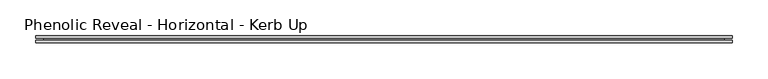
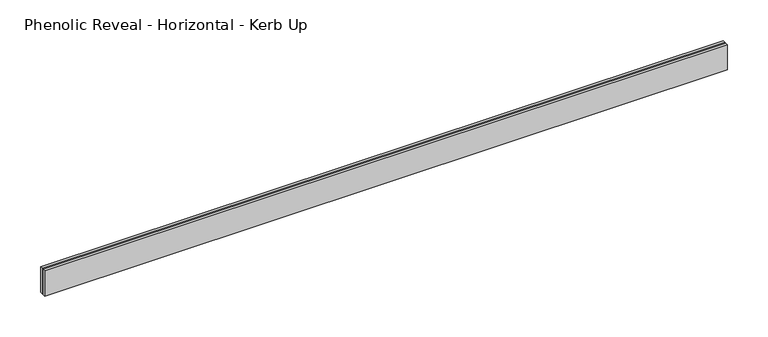
"""IFC4 building model written with IfcOpenShell, lengths in millimetres: proxy geometry, Phenolic Reveal - Horizontal - Kerb Up."""

from ifc_helpers import new_model, si_unit, origin, place, context, project, spatial, faceted_brep, source, transform, mapped, element, save


def phenolic_reveal_horizontal_kerb_up_45891f59(model_context):
    return source(origin(), model_context, "Body", "Brep", [
        faceted_brep([(968.9703125, 9.525, 0.0), (968.9703125, 9.525, 38.1), (968.9703125, 6.0765851, 38.1), (968.9703125, 6.0765851, 0.0), (968.9703125, 3.3757545, 0.0), (968.9703125, 3.3757545, 38.1), (968.9703125, 0.0, 38.1), (968.9703125, 0.0, 0.0), (0.0, 0.0, 0.0), (0.0, 0.0, 38.1), (0.0, 3.3757545, 38.1), (0.0, 3.3757545, 0.0), (0.0, 6.0765851, 0.0), (0.0, 6.0765851, 38.1), (0.0, 9.525, 38.1), (0.0, 9.525, 0.0), (957.8578125, 6.0765851, 0.0), (957.8578125, 3.3757545, 0.0), (11.1125, 3.3757545, 0.0), (11.1125, 6.0765851, 0.0), (957.8578125, 6.0765851, 26.9875), (957.8578125, 3.3757545, 26.9875), (11.1125, 6.0765851, 26.9875), (11.1125, 3.3757545, 26.9875)], [[[0, 1, 2, 3]], [[4, 5, 6, 7]], [[8, 9, 10, 11]], [[12, 13, 14, 15]], [[1, 0, 15, 14]], [[6, 5, 10, 9]], [[7, 6, 9, 8]], [[15, 0, 3, 16, 17, 4, 7, 8, 11, 18, 19, 12]], [[16, 20, 21, 17]], [[22, 19, 18, 23]], [[13, 2, 1, 14]], [[12, 19, 22, 20, 16, 3, 2, 13]], [[20, 22, 23, 21]], [[4, 17, 21, 23, 18, 11, 10, 5]]]),
    ])


if __name__ == "__main__":
    model = new_model("IFC4")
    model_context = context("Model", 3, world=origin())
    ifc_project = project(units=[si_unit("LENGTHUNIT", "METRE", prefix="MILLI")], contexts=[model_context])
    site = spatial("IfcSite", under=ifc_project)
    building = spatial("IfcBuilding", under=site)
    placement = place(None, origin())
    phenolic_reveal_horizontal_kerb_up_shape = phenolic_reveal_horizontal_kerb_up_45891f59(model_context)
    element("IfcBuildingElementProxy", 1, Name="Phenolic Reveal - Horizontal - Kerb Up", ObjectType="Phenolic Reveal - Horizontal - Kerb Up", at=placement, inside=building, context=model_context, shape_type="MappedRepresentation", body=[
        mapped(phenolic_reveal_horizontal_kerb_up_shape, transform((0.0, 0.0, 0.0), x_axis=(1.0, 0.0, 0.0), y_axis=(0.0, 1.0, 0.0), z_axis=(0.0, 0.0, 1.0))),
    ])
    save(model, "model.ifc")
